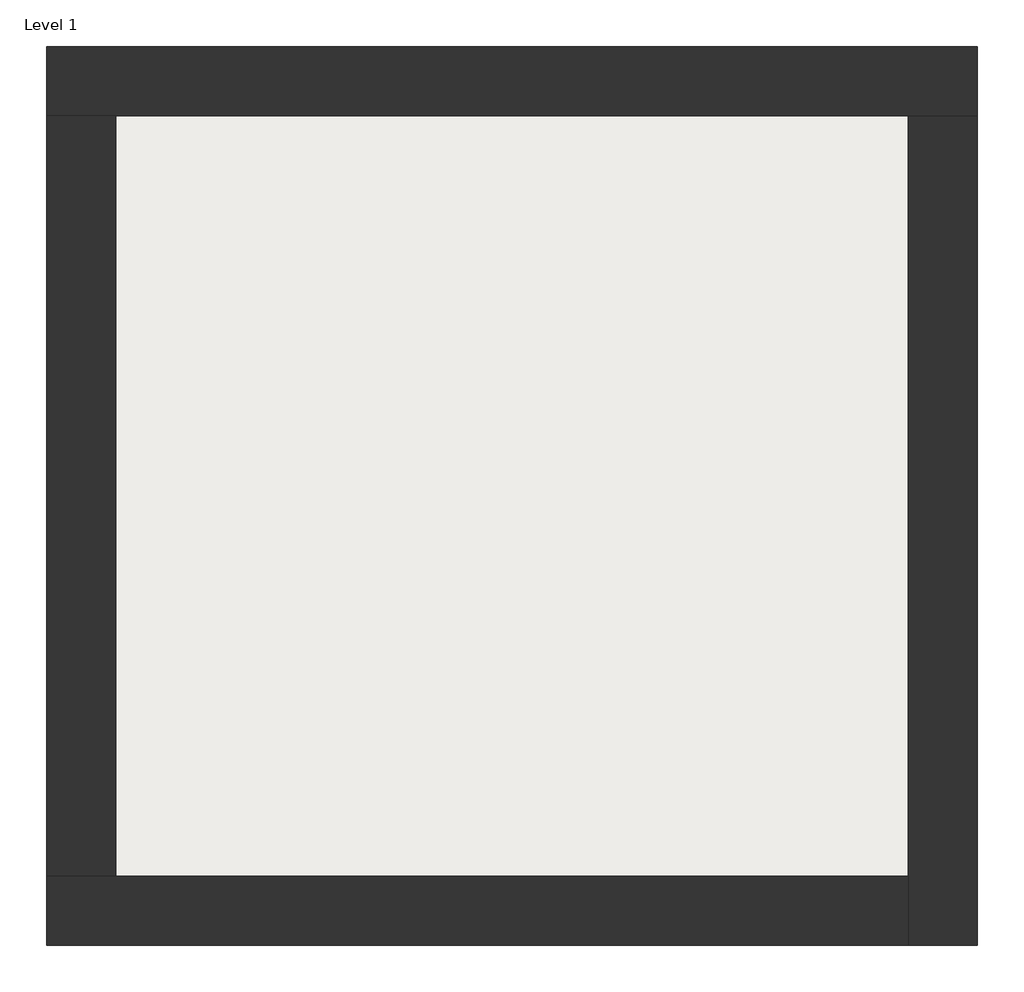
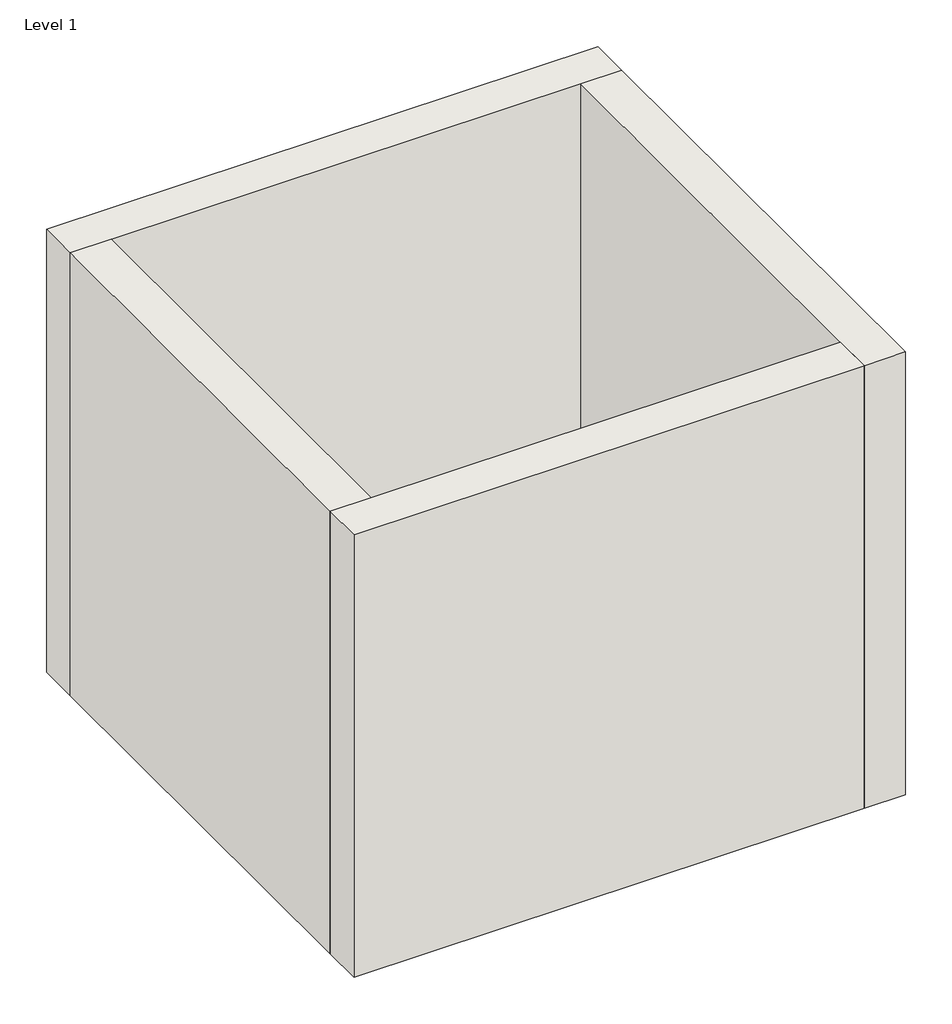
# One storey: 4 walls, 1 slab.
"""IFC4 building model written with IfcOpenShell, lengths in millimetres."""

from ifc_helpers import new_model, si_unit, frame, origin, origin_with_axes, place, context, project, spatial, polyline, outline, extrude, faceted_brep, element, save

model = new_model("IFC4")

# Units and contexts
model_context = context("Model", 3, world=origin())
ifc_project = project(units=[si_unit("LENGTHUNIT", "METRE", prefix="MILLI")], contexts=[model_context])

# Site, building, storey
site = spatial("IfcSite", under=ifc_project)
building = spatial("IfcBuilding", under=site)
storey = spatial("IfcBuildingStorey", under=building, Name="Level 1", Elevation=0.0)

# Slab
placement = place(None, origin())
element("IfcSlab", 1, at=placement, inside=storey, context=model_context, shape_type="SweptSolid", body=[
    extrude(outline(polyline([(-10869.3573003, 6934.2750283), (-10869.3573003, 3058.2750283), (-14907.8573003, 3058.2750283), (-14907.8573003, 6934.2750283), (-10869.3573003, 6934.2750283)])), frame((0.0, 0.0, 2.5), z_axis=(0.0, 0.0, 1.0), x_axis=(1.0, 0.0, 0.0)), (0.0, 0.0, 1.0), 557.5),
])

# Walls
element("IfcWall", 2, ObjectType="Exterior - Brick on Mtl. Stud", at=placement, inside=storey, context=model_context, shape_type="Brep", body=[
    faceted_brep([(-15244.8573003, 6921.2750283, 0.0), (-14894.8573003, 6921.2750283, 0.0), (-10882.3573003, 6921.2750283, 0.0), (-10532.3573003, 6921.2750283, 0.0), (-10532.3573003, 6921.2750283, 4000.0), (-10882.3573003, 6921.2750283, 4000.0), (-14894.8573003, 6921.2750283, 4000.0), (-15244.8573003, 6921.2750283, 4000.0), (-15244.8573003, 7271.2750283, 0.0), (-15244.8573003, 7271.2750283, 4000.0), (-10532.3573003, 7271.2750283, 4000.0), (-10532.3573003, 7271.2750283, 0.0)], [[[0, 1, 2, 3, 4, 5, 6, 7]], [[8, 9, 10, 11]], [[3, 2, 1, 0, 8, 11]], [[7, 6, 5, 4, 10, 9]], [[0, 7, 9, 8]], [[4, 3, 11, 10]]]),
])
element("IfcWall", 3, ObjectType="Exterior - Brick on Mtl. Stud", at=placement, inside=storey, context=model_context, shape_type="Brep", body=[
    faceted_brep([(-10882.3573003, 6921.2750283, 0.0), (-10882.3573003, 3071.2750283, 0.0), (-10882.3573003, 2721.2750283, 0.0), (-10882.3573003, 2721.2750283, 4000.0), (-10882.3573003, 3071.2750283, 4000.0), (-10882.3573003, 6921.2750283, 4000.0), (-10532.3573003, 6921.2750283, 0.0), (-10532.3573003, 6921.2750283, 4000.0), (-10532.3573003, 2721.2750283, 4000.0), (-10532.3573003, 2721.2750283, 0.0)], [[[0, 1, 2, 3, 4, 5]], [[6, 7, 8, 9]], [[2, 1, 0, 6, 9]], [[5, 4, 3, 8, 7]], [[3, 2, 9, 8]], [[0, 5, 7, 6]]]),
])
element("IfcWall", 4, ObjectType="Exterior - Brick on Mtl. Stud", at=placement, inside=storey, context=model_context, shape_type="Brep", body=[
    faceted_brep([(-10882.3573003, 3071.2750283, 0.0), (-14894.8573003, 3071.2750283, 0.0), (-15244.8573003, 3071.2750283, 0.0), (-15244.8573003, 3071.2750283, 4000.0), (-14894.8573003, 3071.2750283, 4000.0), (-10882.3573003, 3071.2750283, 4000.0), (-10882.3573003, 2721.2750283, 0.0), (-10882.3573003, 2721.2750283, 4000.0), (-15244.8573003, 2721.2750283, 4000.0), (-15244.8573003, 2721.2750283, 0.0)], [[[0, 1, 2, 3, 4, 5]], [[6, 7, 8, 9]], [[2, 1, 0, 6, 9]], [[5, 4, 3, 8, 7]], [[3, 2, 9, 8]], [[0, 5, 7, 6]]]),
])
element("IfcWall", 5, ObjectType="Exterior - Brick on Mtl. Stud", at=placement, inside=storey, context=model_context, shape_type="SweptSolid", body=[
    extrude(outline(polyline([(-14894.8573003, 6921.2750283), (-14894.8573003, 3071.2750283), (-15244.8573003, 3071.2750283), (-15244.8573003, 6921.2750283), (-14894.8573003, 6921.2750283)])), origin_with_axes(), (0.0, 0.0, 1.0), 4000.0),
])

save(model, "model.ifc")
